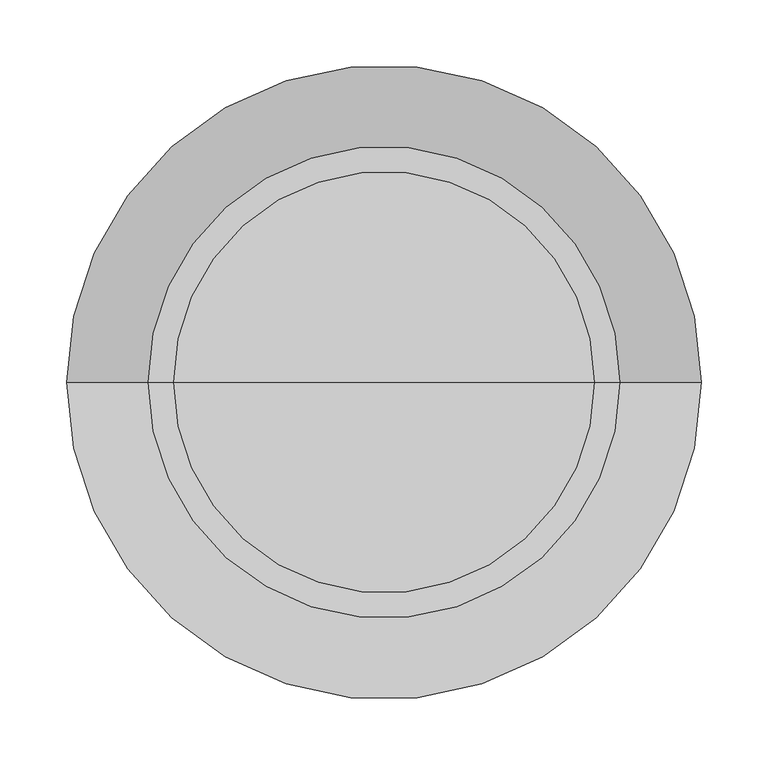
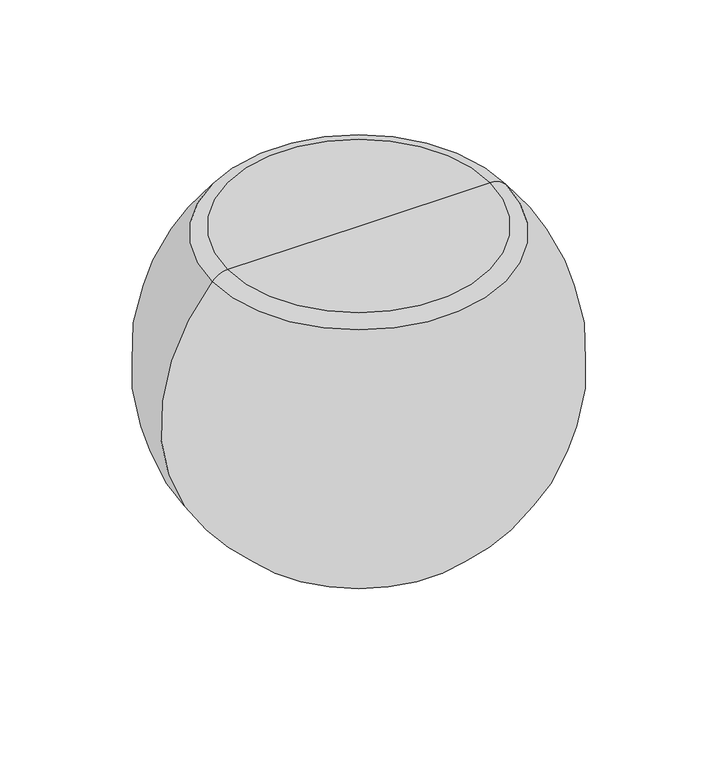
"""IFC4 building model written with IfcOpenShell, lengths in millimetres: furniture geometry."""

from ifc_helpers import new_model, si_unit, point, frame, origin, place, context, project, spatial, circle_curve, ellipse_curve, trimmed, source, transform, mapped, element, save
from ifc_brep_helpers import plane_surface, revolved_surface, advanced_brep


def furniture_dc67d0dc(model_context):
    return source(origin(), model_context, "Body", "AdvancedBrep", [
        advanced_brep(
        [(0.0, 0.0, 0.0), (-61.523216, 0.0, 0.0), (61.523216, 0.0, 0.0), (157.1485147, 0.0, 400.5443376), (-157.1485147, 0.0, 400.5443376), (0.0, 0.0, 400.5443376), (176.0567192, 0.0, 392.1042845), (-176.0567192, 0.0, 392.1042845)],
        [
            (0, 1),
            (1, 2, circle_curve(frame((0.0, 0.0, 0.0), z_axis=(0.0, 0.0, -1.0), x_axis=(-1.0, 0.0, 0.0)), 61.523216)),
            (2, 0),
            (2, 1, circle_curve(frame((0.0, 0.0, 0.0), z_axis=(0.0, 0.0, -1.0), x_axis=(-1.0, 0.0, 0.0)), 61.523216)),
            (3, 4, circle_curve(frame((0.0, 0.0, 400.5443376), z_axis=(0.0, 0.0, 1.0), x_axis=(-1.0, 0.0, 0.0)), 157.1485147)),
            (4, 5),
            (5, 3),
            (4, 3, circle_curve(frame((0.0, 0.0, 400.5443376), z_axis=(0.0, 0.0, 1.0), x_axis=(-1.0, 0.0, 0.0)), 157.1485147)),
            (6, 7, circle_curve(frame((0.0, 0.0, 392.1042845), z_axis=(0.0, 0.0, 1.0), x_axis=(-1.0, 0.0, 0.0)), 176.0567192)),
            (7, 4, circle_curve(frame((-157.1485147, 0.0, 375.1443376), z_axis=(0.0, 1.0, 0.0), x_axis=(1.0, 0.0, 0.0)), 25.4)),
            (3, 6, circle_curve(frame((157.1485147, 0.0, 375.1443376), z_axis=(0.0, 1.0, 0.0), x_axis=(-1.0, 0.0, 0.0)), 25.4)),
            (7, 6, circle_curve(frame((0.0, 0.0, 392.1042845), z_axis=(0.0, 0.0, 1.0), x_axis=(-1.0, 0.0, 0.0)), 176.0567192)),
            (1, 7, circle_curve(frame((2.8908486, 0.0, 231.5950596), z_axis=(0.0, 1.0, 0.0), x_axis=(1.0, 0.0, 0.0)), 240.3860298)),
            (6, 2, circle_curve(frame((-2.8908486, 0.0, 231.5950596), z_axis=(0.0, 1.0, 0.0), x_axis=(-1.0, 0.0, 0.0)), 240.3860298)),
        ],
        [
            plane_surface(frame((0.0, 0.0, 0.0), z_axis=(0.0, 0.0, -1.0), x_axis=(-1.0, 0.0, 0.0))),
            plane_surface(frame((0.0, 0.0, 400.5443376), z_axis=(0.0, 0.0, 1.0), x_axis=(-1.0, 0.0, 0.0))),
            revolved_surface(trimmed(ellipse_curve(frame((-157.1485147, 0.0, 375.1443376), z_axis=(0.0, -1.0, 0.0), x_axis=(1.0, 0.0, 0.0)), 25.4, 25.4), [point((-157.1485147, 0.0, 400.5443376))], [point((-176.0567192, 0.0, 392.1042845))], True, "CARTESIAN"), (0.0, 0.0, 2421.4288111), (0.0, 0.0, -1.0)),
            revolved_surface(trimmed(ellipse_curve(frame((2.8908486, 0.0, 231.5950596), z_axis=(0.0, -1.0, 0.0), x_axis=(1.0, 0.0, 0.0)), 240.3860298, 240.3860298), [point((-176.0567192, 0.0, 392.1042845))], [point((-61.523216, 0.0, 0.0))], True, "CARTESIAN"), (0.0, 0.0, 2421.4288111), (0.0, 0.0, -1.0)),
        ],
        [
            (0, [[1, 2, 3]]),
            (0, [[-3, 4, -1]]),
            (1, [[5, 6, 7]]),
            (1, [[8, -7, -6]]),
            (2, [[9, 10, -5, 11]]),
            (2, [[12, -11, -8, -10]]),
            (3, [[-2, 13, -9, 14]]),
            (3, [[-4, -14, -12, -13]]),
        ],
    ),
    ])


if __name__ == "__main__":
    model = new_model("IFC4")
    model_context = context("Model", 3, world=origin())
    ifc_project = project(units=[si_unit("LENGTHUNIT", "METRE", prefix="MILLI")], contexts=[model_context])
    site = spatial("IfcSite", under=ifc_project)
    building = spatial("IfcBuilding", under=site)
    placement = place(None, origin())
    furniture_shape = furniture_dc67d0dc(model_context)
    element("IfcFurniture", 1, at=placement, inside=building, context=model_context, shape_type="MappedRepresentation", body=[
        mapped(furniture_shape, transform((0.0, 0.0, 0.0), x_axis=(1.0, 0.0, 0.0), y_axis=(0.0, 1.0, 0.0), z_axis=(0.0, 0.0, 1.0))),
    ])
    save(model, "model.ifc")
